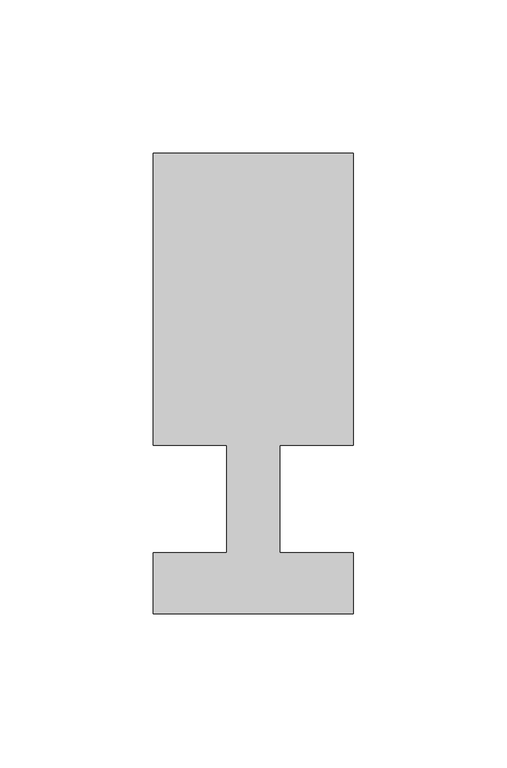
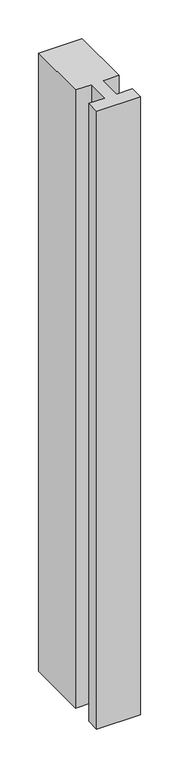
"""IFC4 building model written with IfcOpenShell, lengths in millimetres: member geometry."""

from ifc_helpers import new_model, si_unit, frame, origin, place, context, project, spatial, polyline, outline, extrude, source, transform, mapped, element, save


def member_a5f8aead(model_context):
    return source(origin(), model_context, "Body", "SweptSolid", [
        extrude(outline(polyline([(0.0, -37.0), (-65.0, -37.0), (-65.0, -17.0), (-41.1875, -17.0), (-41.1875, 18.0), (-65.0, 18.0), (-65.0, 113.0), (0.0, 113.0), (0.0, 18.0), (-23.8125, 18.0), (-23.8125, -17.0), (0.0, -17.0), (0.0, -37.0)])), frame((0.0, 0.0, -972.5), z_axis=(0.0, 0.0, 1.0), x_axis=(1.0, 0.0, 0.0)), (0.0, 0.0, 1.0), 972.5),
    ])


if __name__ == "__main__":
    model = new_model("IFC4")
    model_context = context("Model", 3, world=origin())
    ifc_project = project(units=[si_unit("LENGTHUNIT", "METRE", prefix="MILLI")], contexts=[model_context])
    site = spatial("IfcSite", under=ifc_project)
    building = spatial("IfcBuilding", under=site)
    placement = place(None, origin())
    member_shape = member_a5f8aead(model_context)
    element("IfcMember", 1, at=placement, inside=building, context=model_context, shape_type="MappedRepresentation", body=[
        mapped(member_shape, transform((0.0, 0.0, 0.0), x_axis=(1.0, 0.0, 0.0), y_axis=(0.0, 1.0, 0.0), z_axis=(0.0, 0.0, 1.0))),
    ])
    save(model, "model.ifc")
